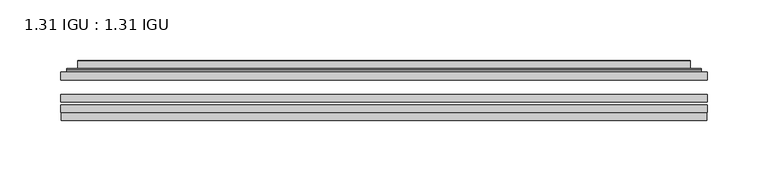
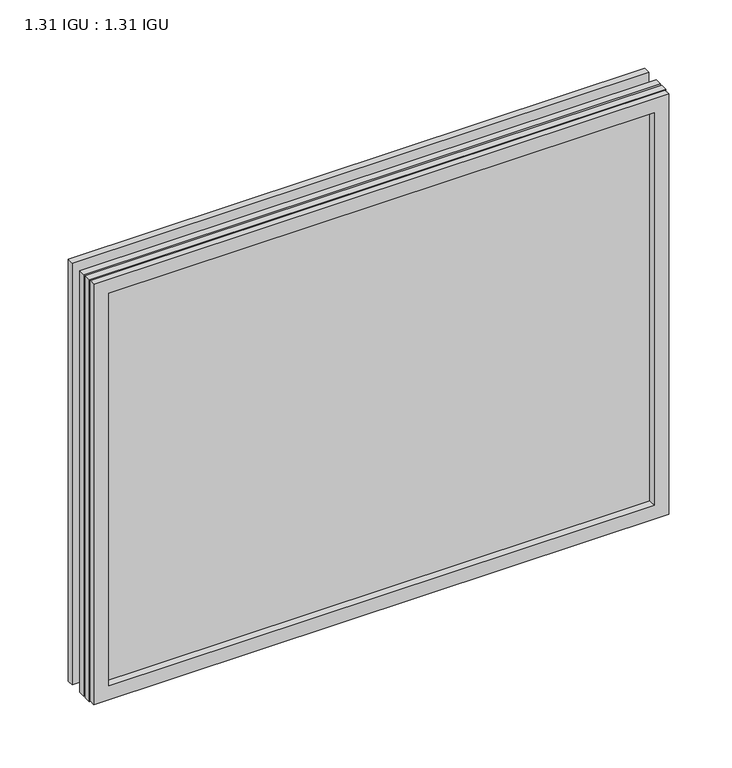
"""IFC4 building model written with IfcOpenShell, lengths in millimetres: plate geometry, 1.31 IGU : 1.31 IGU."""

from ifc_helpers import new_model, si_unit, frame, origin, place, context, project, spatial, polyline, ellipse_curve, outline, extrude, faceted_brep, source, transform, mapped, element, save
from ifc_brep_helpers import plane_surface, cylinder_surface, advanced_brep


def plate_1_31_igu_1_31_igu_62c610d6(model_context):
    return source(origin(), model_context, "Body", "SolidModel", [
        extrude(outline(polyline([(266.7140393, -63.59525), (266.7140393, -69.94525), (-266.6998644, -69.94525), (-266.6998644, -63.59525), (266.7140393, -63.59525)])), frame((0.0, 0.0, -14.2875), z_axis=(0.0, 0.0, 1.0), x_axis=(1.0, 0.0, 0.0)), (0.0, 0.0, 1.0), 412.7537979),
        extrude(outline(polyline([(-266.6998644, -78.58125), (-266.6998644, -72.230745), (266.7140393, -72.230745), (266.7140393, -78.58125), (-266.6998644, -78.58125)])), frame((0.0, 0.0, -14.2875), z_axis=(0.0, 0.0, 1.0), x_axis=(1.0, 0.0, 0.0)), (0.0, 0.0, 1.0), 412.7537979),
        extrude(outline(polyline([(266.7140393, -45.25645), (266.7140393, -51.60645), (-266.6998644, -51.60645), (-266.6998644, -45.25645), (266.7140393, -45.25645)])), frame((0.0, 0.0, -14.2875), z_axis=(0.0, 0.0, 1.0), x_axis=(1.0, 0.0, 0.0)), (0.0, 0.0, 1.0), 412.7537979),
        faceted_brep([(-265.9996786, -84.93125, 397.7623142), (-265.9996786, -78.58125, 397.7623142), (-265.9996786, -78.58125, -13.5873142), (-265.9996786, -84.93125, -13.5873142), (265.9996786, -78.58125, -13.5873142), (265.9996786, -84.93125, -13.5873142), (265.9996786, -78.58125, 397.7623142), (265.9996786, -84.93125, 397.7623142), (-251.5146202, -78.58125, 0.8977441), (251.5146202, -78.58125, 0.8977441), (251.5146202, -78.58125, 383.2772559), (-251.5146202, -78.58125, 383.2772559), (-252.4070545, -84.93125, 384.1696902), (252.4070545, -84.93125, 384.1696902), (252.4070545, -84.93125, 0.0053098), (-252.4070545, -84.93125, 0.0053098)], [[[0, 1, 2, 3]], [[3, 2, 4, 5]], [[5, 4, 6, 7]], [[1, 6, 4, 2], [8, 9, 10, 11]], [[7, 6, 1, 0]], [[3, 5, 7, 0], [12, 13, 14, 15]], [[11, 12, 15, 8]], [[8, 15, 14, 9]], [[9, 14, 13, 10]], [[10, 13, 12, 11]]]),
        advanced_brep(
        [(-259.4585834, -45.25645, 391.2212191), (-261.8127888, -43.2667833, 393.5754244), (-261.8127888, -43.2667833, -9.4004244), (-259.4585834, -45.25645, -7.046219), (-250.3842583, -41.416413, 382.1468939), (-245.4494264, -45.25645, 377.2120621), (-245.4494264, -45.25645, 6.9629379), (-250.3842583, -41.416413, 2.0281061), (-251.416286, -36.0191819, 383.1789217), (-251.416286, -36.0191819, 0.9960783), (-252.4069428, -35.6202069, 384.1695784), (-252.4069428, -35.6202069, 0.0054216), (-252.4069428, -42.08145, 384.1695784), (-252.4069428, -42.08145, 0.0054216), (-260.8109992, -42.08145, 392.5736349), (-260.8109992, -42.08145, -8.3986349), (261.8127888, -43.2667833, -9.4004244), (259.4585834, -45.25645, -7.046219), (245.4494264, -45.25645, 6.9629379), (250.3842583, -41.416413, 2.0281061), (251.416286, -36.0191819, 0.9960783), (252.4069428, -35.6202069, 0.0054216), (252.4069428, -42.08145, 0.0054216), (260.8109992, -42.08145, -8.3986349), (261.8127888, -43.2667833, 393.5754244), (259.4585834, -45.25645, 391.2212191), (245.4494264, -45.25645, 377.2120621), (250.3842583, -41.416413, 382.1468939), (251.416286, -36.0191819, 383.1789217), (252.4069428, -35.6202069, 384.1695784), (252.4069428, -42.08145, 384.1695784), (260.8109992, -42.08145, 392.5736349)],
        [
            (0, 1, ellipse_curve(frame((-259.4585834, -42.86885, 391.2212191), z_axis=(-0.7071067811865475, 0.0, -0.7071067811865475), x_axis=(-0.7071067811865474, 0.0, 0.7071067811865476)), 3.3765763, 2.3876)),
            (1, 2),
            (2, 3, ellipse_curve(frame((-259.4585834, -42.86885, -7.046219), z_axis=(-0.7071067811865475, 0.0, 0.7071067811865475), x_axis=(0.7071067811865474, 0.0, 0.7071067811865476)), 3.3765763, 2.3876)),
            (3, 0),
            (4, 5),
            (5, 6),
            (6, 7),
            (7, 4),
            (8, 4),
            (7, 9),
            (9, 8),
            (10, 8, ellipse_curve(frame((-252.0399862, -36.1384423, 383.8026219), z_axis=(-0.7071067811865475, 0.0, -0.7071067811865475), x_axis=(-0.7071067811865474, 0.0, 0.7071067811865476)), 0.8980256, 0.635)),
            (9, 11, ellipse_curve(frame((-252.0399862, -36.1384423, 0.3723781), z_axis=(-0.7071067811865475, 0.0, 0.7071067811865475), x_axis=(0.7071067811865474, 0.0, 0.7071067811865476)), 0.8980256, 0.635)),
            (11, 10),
            (12, 10),
            (11, 13),
            (13, 12),
            (1, 14, ellipse_curve(frame((-260.8109992, -43.09745, 392.5736349), z_axis=(-0.7071067811865475, 0.0, -0.7071067811865475), x_axis=(-0.7071067811865474, 0.0, 0.7071067811865476)), 1.436841, 1.016)),
            (14, 15),
            (15, 2, ellipse_curve(frame((-260.8109992, -43.09745, -8.3986349), z_axis=(-0.7071067811865475, 0.0, 0.7071067811865475), x_axis=(0.7071067811865474, 0.0, 0.7071067811865476)), 1.436841, 1.016)),
            (2, 16),
            (16, 17, ellipse_curve(frame((259.4585834, -42.86885, -7.046219), z_axis=(-0.7071067811865475, 0.0, -0.7071067811865475), x_axis=(-0.7071067811865476, 0.0, 0.7071067811865474)), 3.3765763, 2.3876)),
            (17, 3),
            (6, 18),
            (18, 19),
            (19, 7),
            (19, 20),
            (20, 9),
            (20, 21, ellipse_curve(frame((252.0399862, -36.1384423, 0.3723781), z_axis=(-0.7071067811865475, 0.0, -0.7071067811865475), x_axis=(-0.7071067811865476, 0.0, 0.7071067811865474)), 0.8980256, 0.635)),
            (21, 11),
            (21, 22),
            (22, 13),
            (15, 23),
            (23, 16, ellipse_curve(frame((260.8109992, -43.09745, -8.3986349), z_axis=(-0.7071067811865475, 0.0, -0.7071067811865475), x_axis=(-0.7071067811865476, 0.0, 0.7071067811865474)), 1.436841, 1.016)),
            (16, 24),
            (24, 25, ellipse_curve(frame((259.4585834, -42.86885, 391.2212191), z_axis=(0.7071067811865475, 0.0, -0.7071067811865475), x_axis=(-0.7071067811865474, 0.0, -0.7071067811865476)), 3.3765763, 2.3876)),
            (25, 17),
            (18, 26),
            (26, 27),
            (27, 19),
            (27, 28),
            (28, 20),
            (28, 29, ellipse_curve(frame((252.0399862, -36.1384423, 383.8026219), z_axis=(0.7071067811865475, 0.0, -0.7071067811865475), x_axis=(-0.7071067811865474, 0.0, -0.7071067811865476)), 0.8980256, 0.635)),
            (29, 21),
            (29, 30),
            (30, 22),
            (23, 31),
            (31, 24, ellipse_curve(frame((260.8109992, -43.09745, 392.5736349), z_axis=(0.7071067811865475, 0.0, -0.7071067811865475), x_axis=(-0.7071067811865474, 0.0, -0.7071067811865476)), 1.436841, 1.016)),
            (24, 1),
            (0, 25),
            (5, 26),
            (4, 27),
            (8, 28),
            (10, 29),
            (12, 30),
            (14, 31),
        ],
        [
            cylinder_surface(frame((-259.4585834, -42.86885, 415.925), z_axis=(0.0, 0.0, 1.0), x_axis=(-1.0, 0.0, 0.0)), 2.3876),
            plane_surface(frame((-245.4494264, -45.25645, 377.2120621), z_axis=(0.6141233906514794, 0.7892100234124821, 0.0), x_axis=(0.0, 0.0, -1.0))),
            plane_surface(frame((-250.3842583, -41.416413, 382.1468939), z_axis=(0.9822050625507729, 0.18781164793386076, 0.0), x_axis=(0.0, 0.0, -1.0))),
            cylinder_surface(frame((-252.0399862, -36.1384423, 415.925), z_axis=(0.0, 0.0, 1.0), x_axis=(-1.0, 0.0, 0.0)), 0.635),
            plane_surface(frame((-252.4069428, -35.6202069, 384.1695784), z_axis=(-1.0, 0.0, 0.0), x_axis=(0.0, 0.0, -1.0))),
            cylinder_surface(frame((-260.8109992, -43.09745, 415.925), z_axis=(0.0, 0.0, 1.0), x_axis=(-1.0, 0.0, 0.0)), 1.016),
            cylinder_surface(frame((-284.1623644, -42.86885, -7.046219), z_axis=(-1.0, 0.0, 0.0), x_axis=(0.0, 0.0, -1.0)), 2.3876),
            plane_surface(frame((-245.4494264, -45.25645, 6.9629379), z_axis=(0.0, 0.7892100234124841, 0.6141233906514768), x_axis=(1.0, 0.0, 0.0))),
            plane_surface(frame((-250.3842583, -41.416413, 2.0281061), z_axis=(0.0, 0.18781164793386393, 0.9822050625507723), x_axis=(1.0, 0.0, 0.0))),
            cylinder_surface(frame((-284.1623644, -36.1384423, 0.3723781), z_axis=(-1.0, 0.0, 0.0), x_axis=(0.0, 0.0, -1.0)), 0.635),
            plane_surface(frame((-252.4069428, -35.6202069, 0.0054216), z_axis=(0.0, 0.0, -1.0), x_axis=(1.0, 0.0, 0.0))),
            cylinder_surface(frame((-284.1623644, -43.09745, -8.3986349), z_axis=(-1.0, 0.0, 0.0), x_axis=(0.0, 0.0, -1.0)), 1.016),
            cylinder_surface(frame((259.4585834, -42.86885, -31.75), z_axis=(0.0, 0.0, -1.0), x_axis=(1.0, 0.0, 0.0)), 2.3876),
            plane_surface(frame((245.4494264, -45.25645, 6.9629379), z_axis=(-0.6141233906514743, 0.7892100234124861, 0.0), x_axis=(0.0, 0.0, 1.0))),
            plane_surface(frame((250.3842583, -41.416413, 2.0281061), z_axis=(-0.9822050625507718, 0.1878116479338671, 0.0), x_axis=(0.0, 0.0, 1.0))),
            cylinder_surface(frame((252.0399862, -36.1384423, -31.75), z_axis=(0.0, 0.0, -1.0), x_axis=(1.0, 0.0, 0.0)), 0.635),
            plane_surface(frame((252.4069428, -35.6202069, 0.0054216), z_axis=(1.0, 0.0, 0.0), x_axis=(0.0, 0.0, 1.0))),
            cylinder_surface(frame((260.8109992, -43.09745, -31.75), z_axis=(0.0, 0.0, -1.0), x_axis=(1.0, 0.0, 0.0)), 1.016),
            cylinder_surface(frame((284.1623644, -42.86885, 391.2212191), z_axis=(1.0, 0.0, 0.0), x_axis=(0.0, 0.0, 1.0)), 2.3876),
            plane_surface(frame((259.4585834, -45.25645, 391.2212191), z_axis=(0.0, -1.0, 0.0), x_axis=(-1.0, 0.0, 0.0))),
            plane_surface(frame((245.4494264, -45.25645, 377.2120621), z_axis=(0.0, 0.7892100234124841, -0.6141233906514768), x_axis=(-1.0, 0.0, 0.0))),
            plane_surface(frame((250.3842583, -41.416413, 382.1468939), z_axis=(0.0, 0.18781164793386393, -0.9822050625507723), x_axis=(-1.0, 0.0, 0.0))),
            cylinder_surface(frame((284.1623644, -36.1384423, 383.8026219), z_axis=(1.0, 0.0, 0.0), x_axis=(0.0, 0.0, 1.0)), 0.635),
            plane_surface(frame((252.4069428, -35.6202069, 384.1695784), z_axis=(0.0, 0.0, 1.0), x_axis=(-1.0, 0.0, 0.0))),
            plane_surface(frame((252.4069428, -42.08145, 384.1695784), z_axis=(0.0, 1.0, 0.0), x_axis=(-1.0, 0.0, 0.0))),
            cylinder_surface(frame((284.1623644, -43.09745, 392.5736349), z_axis=(1.0, 0.0, 0.0), x_axis=(0.0, 0.0, 1.0)), 1.016),
        ],
        [
            (0, [[1, 2, 3, 4]]),
            (1, [[5, 6, 7, 8]]),
            (2, [[9, -8, 10, 11]]),
            (3, [[12, -11, 13, 14]]),
            (4, [[15, -14, 16, 17]]),
            (5, [[18, 19, 20, -2]]),
            (6, [[-3, 21, 22, 23]]),
            (7, [[-7, 24, 25, 26]]),
            (8, [[-10, -26, 27, 28]]),
            (9, [[-13, -28, 29, 30]]),
            (10, [[-16, -30, 31, 32]]),
            (11, [[-20, 33, 34, -21]]),
            (12, [[-22, 35, 36, 37]]),
            (13, [[-25, 38, 39, 40]]),
            (14, [[-27, -40, 41, 42]]),
            (15, [[-29, -42, 43, 44]]),
            (16, [[-31, -44, 45, 46]]),
            (17, [[-34, 47, 48, -35]]),
            (18, [[-36, 49, -1, 50]]),
            (19, [[-23, -37, -50, -4], [51, -38, -24, -6]]),
            (20, [[-39, -51, -5, 52]]),
            (21, [[-41, -52, -9, 53]]),
            (22, [[-43, -53, -12, 54]]),
            (23, [[-45, -54, -15, 55]]),
            (24, [[56, -47, -33, -19], [-32, -46, -55, -17]]),
            (25, [[-48, -56, -18, -49]]),
        ],
    ),
    ])


if __name__ == "__main__":
    model = new_model("IFC4")
    model_context = context("Model", 3, world=origin())
    ifc_project = project(units=[si_unit("LENGTHUNIT", "METRE", prefix="MILLI")], contexts=[model_context])
    site = spatial("IfcSite", under=ifc_project)
    building = spatial("IfcBuilding", under=site)
    placement = place(None, origin())
    plate_1_31_igu_1_31_igu_shape = plate_1_31_igu_1_31_igu_62c610d6(model_context)
    element("IfcPlate", 1, ObjectType="1.31 IGU : 1.31 IGU", at=placement, inside=building, context=model_context, shape_type="MappedRepresentation", body=[
        mapped(plate_1_31_igu_1_31_igu_shape, transform((0.0, 0.0, 0.0), x_axis=(1.0, 0.0, 0.0), y_axis=(0.0, 1.0, 0.0), z_axis=(0.0, 0.0, 1.0))),
    ])
    save(model, "model.ifc")
